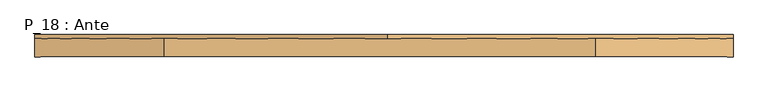
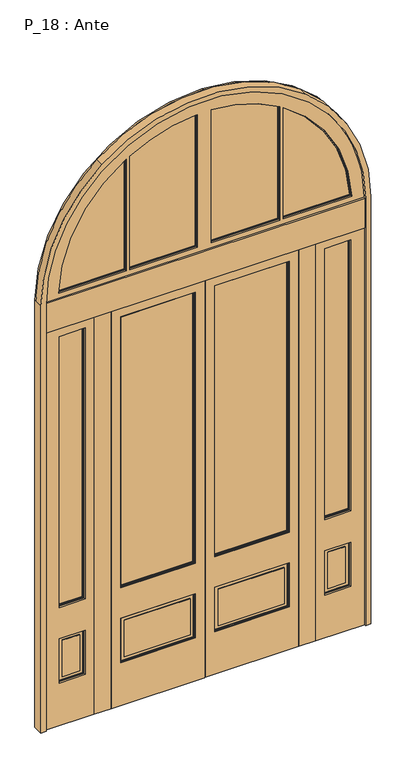
"""IFC4 building model written with IfcOpenShell, lengths in millimetres: door geometry, P_18 : Ante."""

from ifc_helpers import new_model, si_unit, point, frame, frame_2d, origin, origin_with_axes, place, context, project, spatial, polyline, circle_curve, trimmed, segment, composite_curve, outline, extrude, source, transform, mapped, element, save
from ifc_brep_helpers import plane_surface, cylinder_surface, revolved_surface, advanced_brep


def p_18_ante_e9bc71ce(model_context):
    return source(origin(), model_context, "Body", "SolidModel", [
        extrude(outline(polyline([(2420.0, 640.0), (0.0, 640.0), (0.0, 920.0), (2420.0, 920.0), (2420.0, 640.0)]), holes=[polyline([(530.0, 690.0), (530.0, 840.0), (260.0, 840.0), (260.0, 690.0), (530.0, 690.0)]), polyline([(2370.0, 690.0), (2370.0, 840.0), (720.0, 840.0), (720.0, 690.0), (2370.0, 690.0)])]), frame((0.0, -100.0, 0.0), z_axis=(0.0, 1.0, 0.0), x_axis=(0.0, 0.0, 1.0)), (0.0, 0.0, 1.0), 15.0),
        extrude(outline(polyline([(2420.0, -920.0), (0.0, -920.0), (0.0, -640.0), (2420.0, -640.0), (2420.0, -920.0)]), holes=[polyline([(530.0, -840.0), (530.0, -690.0), (260.0, -690.0), (260.0, -840.0), (530.0, -840.0)]), polyline([(2370.0, -840.0), (2370.0, -690.0), (720.0, -690.0), (720.0, -840.0), (2370.0, -840.0)])]), frame((0.0, -100.0, 0.0), z_axis=(0.0, 1.0, 0.0), x_axis=(0.0, 0.0, 1.0)), (0.0, 0.0, 1.0), 15.0),
        extrude(outline(polyline([(2420.0, 640.0), (0.0, 640.0), (0.0, 920.0), (2420.0, 920.0), (2420.0, 640.0)]), holes=[polyline([(530.0, 690.0), (530.0, 840.0), (260.0, 840.0), (260.0, 690.0), (530.0, 690.0)]), polyline([(2370.0, 690.0), (2370.0, 840.0), (720.0, 840.0), (720.0, 690.0), (2370.0, 690.0)])]), frame((0.0, -65.0, 0.0), z_axis=(0.0, 1.0, 0.0), x_axis=(0.0, 0.0, 1.0)), (0.0, 0.0, 1.0), 10.0),
        extrude(outline(polyline([(2420.0, -920.0), (0.0, -920.0), (0.0, -640.0), (2420.0, -640.0), (2420.0, -920.0)]), holes=[polyline([(530.0, -840.0), (530.0, -690.0), (260.0, -690.0), (260.0, -840.0), (530.0, -840.0)]), polyline([(2370.0, -840.0), (2370.0, -690.0), (720.0, -690.0), (720.0, -840.0), (2370.0, -840.0)])]), frame((0.0, -65.0, 0.0), z_axis=(0.0, 1.0, 0.0), x_axis=(0.0, 0.0, 1.0)), (0.0, 0.0, 1.0), 10.0),
        extrude(outline(polyline([(-480.0, -84.0), (-480.0, -76.0), (-61.0, -76.0), (-61.0, -84.0), (-480.0, -84.0)])), frame((0.0, 0.0, 720.0), z_axis=(0.0, 0.0, 1.0), x_axis=(1.0, 0.0, 0.0)), (0.0, 0.0, 1.0), 1640.0),
        extrude(outline(polyline([(61.0, -84.0), (61.0, -76.0), (480.0, -76.0), (480.0, -84.0), (61.0, -84.0)])), frame((0.0, 0.0, 720.0), z_axis=(0.0, 0.0, 1.0), x_axis=(1.0, 0.0, 0.0)), (0.0, 0.0, 1.0), 1640.0),
        extrude(outline(polyline([(530.0, -56.0), (530.0, -485.0), (260.0, -485.0), (260.0, -56.0), (530.0, -56.0)]), holes=[polyline([(525.0, -61.0), (265.0, -61.0), (265.0, -480.0), (525.0, -480.0), (525.0, -61.0)])]), frame((0.0, -70.0, 0.0), z_axis=(0.0, 1.0, 0.0), x_axis=(0.0, 0.0, 1.0)), (0.0, 0.0, 1.0), 5.0),
        extrude(outline(polyline([(-81.0, -65.0), (-81.0, -70.0), (-460.0, -70.0), (-460.0, -65.0), (-81.0, -65.0)])), frame((0.0, 0.0, 285.0), z_axis=(0.0, 0.0, 1.0), x_axis=(1.0, 0.0, 0.0)), (0.0, 0.0, 1.0), 220.0),
        extrude(outline(polyline([(2365.0, -56.0), (2365.0, -485.0), (715.0, -485.0), (715.0, -56.0), (2365.0, -56.0)]), holes=[polyline([(2360.0, -61.0), (720.0, -61.0), (720.0, -480.0), (2360.0, -480.0), (2360.0, -61.0)])]), frame((0.0, -70.0, 0.0), z_axis=(0.0, 1.0, 0.0), x_axis=(0.0, 0.0, 1.0)), (0.0, 0.0, 1.0), 5.0),
        extrude(outline(polyline([(2420.0, -1.0), (2420.0, -540.0), (0.0, -540.0), (0.0, -1.0), (2420.0, -1.0)]), holes=[polyline([(2365.0, -56.0), (715.0, -56.0), (715.0, -485.0), (2365.0, -485.0), (2365.0, -56.0)]), polyline([(530.0, -56.0), (260.0, -56.0), (260.0, -485.0), (530.0, -485.0), (530.0, -56.0)])]), frame((0.0, -70.0, 0.0), z_axis=(0.0, 1.0, 0.0), x_axis=(0.0, 0.0, 1.0)), (0.0, 0.0, 1.0), 10.0),
        extrude(outline(polyline([(2365.0, -56.0), (2365.0, -485.0), (715.0, -485.0), (715.0, -56.0), (2365.0, -56.0)]), holes=[polyline([(2360.0, -61.0), (720.0, -61.0), (720.0, -480.0), (2360.0, -480.0), (2360.0, -61.0)])]), frame((0.0, -95.0, 0.0), z_axis=(0.0, 1.0, 0.0), x_axis=(0.0, 0.0, 1.0)), (0.0, 0.0, 1.0), 5.0),
        extrude(outline(polyline([(530.0, -485.0), (260.0, -485.0), (260.0, -56.0), (530.0, -56.0), (530.0, -485.0)]), holes=[polyline([(525.0, -480.0), (525.0, -61.0), (265.0, -61.0), (265.0, -480.0), (525.0, -480.0)])]), frame((0.0, -95.0, 0.0), z_axis=(0.0, 1.0, 0.0), x_axis=(0.0, 0.0, 1.0)), (0.0, 0.0, 1.0), 5.0),
        extrude(outline(polyline([(-460.0, -95.0), (-460.0, -90.0), (-81.0, -90.0), (-81.0, -95.0), (-460.0, -95.0)])), frame((0.0, 0.0, 285.0), z_axis=(0.0, 0.0, 1.0), x_axis=(1.0, 0.0, 0.0)), (0.0, 0.0, 1.0), 220.0),
        extrude(outline(polyline([(2420.0, -1.0), (2420.0, -540.0), (0.0, -540.0), (0.0, -1.0), (2420.0, -1.0)]), holes=[polyline([(2365.0, -56.0), (715.0, -56.0), (715.0, -485.0), (2365.0, -485.0), (2365.0, -56.0)]), polyline([(530.0, -485.0), (530.0, -56.0), (260.0, -56.0), (260.0, -485.0), (530.0, -485.0)])]), frame((0.0, -100.0, 0.0), z_axis=(0.0, 1.0, 0.0), x_axis=(0.0, 0.0, 1.0)), (0.0, 0.0, 1.0), 10.0),
        extrude(outline(polyline([(2420.0, -1.0), (2420.0, -540.0), (0.0, -540.0), (0.0, -1.0), (2420.0, -1.0)]), holes=[polyline([(2360.0, -61.0), (720.0, -61.0), (720.0, -480.0), (2360.0, -480.0), (2360.0, -61.0)])]), frame((0.0, -90.0, 0.0), z_axis=(0.0, 1.0, 0.0), x_axis=(0.0, 0.0, 1.0)), (0.0, 0.0, 1.0), 20.0),
        extrude(outline(polyline([(2365.0, 56.0), (715.0, 56.0), (715.0, 485.0), (2365.0, 485.0), (2365.0, 56.0)]), holes=[polyline([(2360.0, 61.0), (2360.0, 480.0), (720.0, 480.0), (720.0, 61.0), (2360.0, 61.0)])]), frame((0.0, -70.0, 0.0), z_axis=(0.0, 1.0, 0.0), x_axis=(0.0, 0.0, 1.0)), (0.0, 0.0, 1.0), 5.0),
        extrude(outline(polyline([(530.0, 485.0), (530.0, 56.0), (260.0, 56.0), (260.0, 485.0), (530.0, 485.0)]), holes=[polyline([(525.0, 480.0), (265.0, 480.0), (265.0, 61.0), (525.0, 61.0), (525.0, 480.0)])]), frame((0.0, -70.0, 0.0), z_axis=(0.0, 1.0, 0.0), x_axis=(0.0, 0.0, 1.0)), (0.0, 0.0, 1.0), 5.0),
        extrude(outline(polyline([(460.0, -65.0), (460.0, -70.0), (81.0, -70.0), (81.0, -65.0), (460.0, -65.0)])), frame((0.0, 0.0, 285.0), z_axis=(0.0, 0.0, 1.0), x_axis=(1.0, 0.0, 0.0)), (0.0, 0.0, 1.0), 220.0),
        extrude(outline(polyline([(2420.0, 1.0), (0.0, 1.0), (0.0, 540.0), (2420.0, 540.0), (2420.0, 1.0)]), holes=[polyline([(530.0, 485.0), (260.0, 485.0), (260.0, 56.0), (530.0, 56.0), (530.0, 485.0)]), polyline([(2365.0, 56.0), (2365.0, 485.0), (715.0, 485.0), (715.0, 56.0), (2365.0, 56.0)])]), frame((0.0, -70.0, 0.0), z_axis=(0.0, 1.0, 0.0), x_axis=(0.0, 0.0, 1.0)), (0.0, 0.0, 1.0), 10.0),
        extrude(outline(polyline([(530.0, 56.0), (260.0, 56.0), (260.0, 485.0), (530.0, 485.0), (530.0, 56.0)]), holes=[polyline([(525.0, 61.0), (525.0, 480.0), (265.0, 480.0), (265.0, 61.0), (525.0, 61.0)])]), frame((0.0, -95.0, 0.0), z_axis=(0.0, 1.0, 0.0), x_axis=(0.0, 0.0, 1.0)), (0.0, 0.0, 1.0), 5.0),
        extrude(outline(polyline([(81.0, -95.0), (81.0, -90.0), (460.0, -90.0), (460.0, -95.0), (81.0, -95.0)])), frame((0.0, 0.0, 285.0), z_axis=(0.0, 0.0, 1.0), x_axis=(1.0, 0.0, 0.0)), (0.0, 0.0, 1.0), 220.0),
        extrude(outline(polyline([(2365.0, 56.0), (715.0, 56.0), (715.0, 485.0), (2365.0, 485.0), (2365.0, 56.0)]), holes=[polyline([(2360.0, 61.0), (2360.0, 480.0), (720.0, 480.0), (720.0, 61.0), (2360.0, 61.0)])]), frame((0.0, -95.0, 0.0), z_axis=(0.0, 1.0, 0.0), x_axis=(0.0, 0.0, 1.0)), (0.0, 0.0, 1.0), 5.0),
        extrude(outline(polyline([(2420.0, 540.0), (2420.0, 1.0), (0.0, 1.0), (0.0, 540.0), (2420.0, 540.0)]), holes=[polyline([(2365.0, 485.0), (715.0, 485.0), (715.0, 56.0), (2365.0, 56.0), (2365.0, 485.0)]), polyline([(530.0, 56.0), (530.0, 485.0), (260.0, 485.0), (260.0, 56.0), (530.0, 56.0)])]), frame((0.0, -100.0, 0.0), z_axis=(0.0, 1.0, 0.0), x_axis=(0.0, 0.0, 1.0)), (0.0, 0.0, 1.0), 10.0),
        extrude(outline(polyline([(2420.0, 1.0), (0.0, 1.0), (0.0, 540.0), (2420.0, 540.0), (2420.0, 1.0)]), holes=[polyline([(2360.0, 61.0), (2360.0, 480.0), (720.0, 480.0), (720.0, 61.0), (2360.0, 61.0)])]), frame((0.0, -90.0, 0.0), z_axis=(0.0, 1.0, 0.0), x_axis=(0.0, 0.0, 1.0)), (0.0, 0.0, 1.0), 20.0),
        extrude(outline(polyline([(640.0, -50.0), (640.0, -100.0), (540.0, -100.0), (540.0, -50.0), (640.0, -50.0)])), origin_with_axes(), (0.0, 0.0, 1.0), 2420.0),
        extrude(outline(polyline([(-540.0, -50.0), (-540.0, -100.0), (-640.0, -100.0), (-640.0, -50.0), (-540.0, -50.0)])), origin_with_axes(), (0.0, 0.0, 1.0), 2420.0),
        extrude(outline(polyline([(-695.0, -71.0), (-695.0, -79.0), (-865.0, -79.0), (-865.0, -71.0), (-695.0, -71.0)])), frame((0.0, 0.0, 725.0), z_axis=(0.0, 0.0, 1.0), x_axis=(1.0, 0.0, 0.0)), (0.0, 0.0, 1.0), 1640.0),
        extrude(outline(polyline([(865.0, -71.0), (865.0, -79.0), (695.0, -79.0), (695.0, -71.0), (865.0, -71.0)])), frame((0.0, 0.0, 725.0), z_axis=(0.0, 0.0, 1.0), x_axis=(1.0, 0.0, 0.0)), (0.0, 0.0, 1.0), 1640.0),
        extrude(outline(polyline([(530.0, -690.0), (530.0, -840.0), (260.0, -840.0), (260.0, -690.0), (530.0, -690.0)]), holes=[polyline([(525.0, -695.0), (265.0, -695.0), (265.0, -835.0), (525.0, -835.0), (525.0, -695.0)])]), frame((0.0, -75.0, 0.0), z_axis=(0.0, 1.0, 0.0), x_axis=(0.0, 0.0, 1.0)), (0.0, 0.0, 1.0), 5.0),
        extrude(outline(polyline([(530.0, 840.0), (530.0, 690.0), (260.0, 690.0), (260.0, 840.0), (530.0, 840.0)]), holes=[polyline([(525.0, 835.0), (265.0, 835.0), (265.0, 695.0), (525.0, 695.0), (525.0, 835.0)])]), frame((0.0, -75.0, 0.0), z_axis=(0.0, 1.0, 0.0), x_axis=(0.0, 0.0, 1.0)), (0.0, 0.0, 1.0), 5.0),
        extrude(outline(polyline([(815.0, -70.0), (815.0, -75.0), (715.0, -75.0), (715.0, -70.0), (815.0, -70.0)])), frame((0.0, 0.0, 285.0), z_axis=(0.0, 0.0, 1.0), x_axis=(1.0, 0.0, 0.0)), (0.0, 0.0, 1.0), 220.0),
        extrude(outline(polyline([(-715.0, -70.0), (-715.0, -75.0), (-815.0, -75.0), (-815.0, -70.0), (-715.0, -70.0)])), frame((0.0, 0.0, 285.0), z_axis=(0.0, 0.0, 1.0), x_axis=(1.0, 0.0, 0.0)), (0.0, 0.0, 1.0), 220.0),
        extrude(outline(polyline([(2370.0, -690.0), (2370.0, -840.0), (720.0, -840.0), (720.0, -690.0), (2370.0, -690.0)]), holes=[polyline([(2365.0, -695.0), (725.0, -695.0), (725.0, -835.0), (2365.0, -835.0), (2365.0, -695.0)])]), frame((0.0, -75.0, 0.0), z_axis=(0.0, 1.0, 0.0), x_axis=(0.0, 0.0, 1.0)), (0.0, 0.0, 1.0), 5.0),
        extrude(outline(polyline([(2370.0, 840.0), (2370.0, 690.0), (720.0, 690.0), (720.0, 840.0), (2370.0, 840.0)]), holes=[polyline([(2365.0, 835.0), (725.0, 835.0), (725.0, 695.0), (2365.0, 695.0), (2365.0, 835.0)])]), frame((0.0, -75.0, 0.0), z_axis=(0.0, 1.0, 0.0), x_axis=(0.0, 0.0, 1.0)), (0.0, 0.0, 1.0), 5.0),
        extrude(outline(polyline([(530.0, 690.0), (260.0, 690.0), (260.0, 840.0), (530.0, 840.0), (530.0, 690.0)]), holes=[polyline([(525.0, 695.0), (525.0, 835.0), (265.0, 835.0), (265.0, 695.0), (525.0, 695.0)])]), frame((0.0, -90.0, 0.0), z_axis=(0.0, 1.0, 0.0), x_axis=(0.0, 0.0, 1.0)), (0.0, 0.0, 1.0), 5.0),
        extrude(outline(polyline([(530.0, -840.0), (260.0, -840.0), (260.0, -690.0), (530.0, -690.0), (530.0, -840.0)]), holes=[polyline([(525.0, -835.0), (525.0, -695.0), (265.0, -695.0), (265.0, -835.0), (525.0, -835.0)])]), frame((0.0, -90.0, 0.0), z_axis=(0.0, 1.0, 0.0), x_axis=(0.0, 0.0, 1.0)), (0.0, 0.0, 1.0), 5.0),
        extrude(outline(polyline([(815.0, -85.0), (815.0, -90.0), (715.0, -90.0), (715.0, -85.0), (815.0, -85.0)])), frame((0.0, 0.0, 285.0), z_axis=(0.0, 0.0, 1.0), x_axis=(1.0, 0.0, 0.0)), (0.0, 0.0, 1.0), 220.0),
        extrude(outline(polyline([(-715.0, -85.0), (-715.0, -90.0), (-815.0, -90.0), (-815.0, -85.0), (-715.0, -85.0)])), frame((0.0, 0.0, 285.0), z_axis=(0.0, 0.0, 1.0), x_axis=(1.0, 0.0, 0.0)), (0.0, 0.0, 1.0), 220.0),
        extrude(outline(polyline([(2370.0, 690.0), (720.0, 690.0), (720.0, 840.0), (2370.0, 840.0), (2370.0, 690.0)]), holes=[polyline([(2365.0, 695.0), (2365.0, 835.0), (725.0, 835.0), (725.0, 695.0), (2365.0, 695.0)])]), frame((0.0, -90.0, 0.0), z_axis=(0.0, 1.0, 0.0), x_axis=(0.0, 0.0, 1.0)), (0.0, 0.0, 1.0), 5.0),
        extrude(outline(polyline([(2370.0, -840.0), (720.0, -840.0), (720.0, -690.0), (2370.0, -690.0), (2370.0, -840.0)]), holes=[polyline([(2365.0, -835.0), (2365.0, -695.0), (725.0, -695.0), (725.0, -835.0), (2365.0, -835.0)])]), frame((0.0, -90.0, 0.0), z_axis=(0.0, 1.0, 0.0), x_axis=(0.0, 0.0, 1.0)), (0.0, 0.0, 1.0), 5.0),
        extrude(outline(polyline([(2420.0, 640.0), (0.0, 640.0), (0.0, 920.0), (2420.0, 920.0), (2420.0, 640.0)]), holes=[polyline([(2365.0, 695.0), (2365.0, 840.0), (725.0, 840.0), (725.0, 695.0), (2365.0, 695.0)])]), frame((0.0, -85.0, 0.0), z_axis=(0.0, 1.0, 0.0), x_axis=(0.0, 0.0, 1.0)), (0.0, 0.0, 1.0), 20.0),
        extrude(outline(polyline([(2420.0, -920.0), (0.0, -920.0), (0.0, -640.0), (2420.0, -640.0), (2420.0, -920.0)]), holes=[polyline([(2365.0, -840.0), (2365.0, -695.0), (725.0, -695.0), (725.0, -840.0), (2365.0, -840.0)])]), frame((0.0, -85.0, 0.0), z_axis=(0.0, 1.0, 0.0), x_axis=(0.0, 0.0, 1.0)), (0.0, 0.0, 1.0), 20.0),
        advanced_brep(
        [(-950.0, -50.0, 0.0), (-950.0, -50.0, 2600.0), (10.0746694, -50.0, 3549.946578), (950.0, -50.0, 2600.0), (950.0, -50.0, 0.0), (920.0, -50.0, 0.0), (920.0, -50.0, 2420.0), (-920.0, -50.0, 2420.0), (-920.0, -50.0, 0.0), (920.0, -50.0, 2600.0), (-54.5964416, -50.0, 3518.3785867), (-920.0, -50.0, 2600.0), (-920.0, -110.0, 0.0), (-950.0, -110.0, 0.0), (-920.0, -105.0, 2420.0), (-920.0, -105.0, 2600.0), (-920.0, -110.0, 2600.0), (920.0, -110.0, 2600.0), (920.0, -105.0, 2600.0), (920.0, -105.0, 2420.0), (920.0, -110.0, 0.0), (950.0, -110.0, 0.0), (950.0, -60.0, 2600.0), (950.0, -105.0, 2600.0), (950.0, -110.0, 2600.0), (-950.0, -110.0, 2600.0), (-950.0, -105.0, 2600.0), (-950.0, -60.0, 2600.0), (575.7103184, -110.0, 3355.683551), (-599.4350824, -110.0, 3337.0058222), (-602.4969533, -110.0, 3295.2678774), (596.8275039, -110.0, 3300.1406506), (-54.5964416, -60.0, 3518.3785867), (-602.4969533, -60.0, 3295.2678774), (-920.0, -60.0, 2600.0), (920.0, -60.0, 2600.0), (596.8275039, -60.0, 3300.1406506), (10.0746694, -60.0, 3549.946578), (575.7103184, -60.0, 3355.683551), (-599.4350824, -60.0, 3337.0058222)],
        [
            (0, 1),
            (1, 2, circle_curve(frame((0.0, -50.0, 2600.0), z_axis=(0.0, 1.0, 0.0), x_axis=(1.0, 0.0, 0.0)), 950.0)),
            (2, 3, circle_curve(frame((0.0, -50.0, 2600.0), z_axis=(0.0, 1.0, 0.0), x_axis=(1.0, 0.0, 0.0)), 950.0)),
            (3, 4),
            (4, 5),
            (5, 6),
            (6, 7),
            (7, 8),
            (8, 0),
            (9, 10, circle_curve(frame((0.0, -50.0, 2600.0), z_axis=(0.0, -1.0, 0.0), x_axis=(1.0, 0.0, 0.0)), 920.0)),
            (10, 11, circle_curve(frame((0.0, -50.0, 2600.0), z_axis=(0.0, -1.0, 0.0), x_axis=(1.0, 0.0, 0.0)), 920.0)),
            (11, 9),
            (8, 12),
            (12, 13),
            (13, 0),
            (7, 14),
            (14, 15),
            (15, 16),
            (16, 12),
            (17, 18),
            (18, 19),
            (19, 6),
            (5, 20),
            (20, 17),
            (4, 21),
            (21, 20),
            (22, 23),
            (23, 24),
            (24, 21),
            (3, 22),
            (13, 25),
            (25, 26),
            (26, 27),
            (27, 1),
            (24, 28, circle_curve(frame((0.0, -110.0, 2600.0), z_axis=(0.0, -1.0, 0.0), x_axis=(1.0, 0.0, 0.0)), 950.0)),
            (28, 29, circle_curve(frame((0.0, -110.0, 2600.0), z_axis=(0.0, -1.0, 0.0), x_axis=(1.0, 0.0, 0.0)), 950.0)),
            (29, 25, circle_curve(frame((0.0, -110.0, 2600.0), z_axis=(0.0, -1.0, 0.0), x_axis=(1.0, 0.0, 0.0)), 950.0)),
            (16, 30, circle_curve(frame((0.0, -110.0, 2600.0), z_axis=(0.0, 1.0, 0.0), x_axis=(1.0, 0.0, 0.0)), 920.0)),
            (30, 31, circle_curve(frame((0.0, -110.0, 2600.0), z_axis=(0.0, 1.0, 0.0), x_axis=(1.0, 0.0, 0.0)), 920.0)),
            (31, 17, circle_curve(frame((0.0, -110.0, 2600.0), z_axis=(0.0, 1.0, 0.0), x_axis=(1.0, 0.0, 0.0)), 920.0)),
            (32, 33, circle_curve(frame((0.0, -60.0, 2600.0), z_axis=(0.0, -1.0, 0.0), x_axis=(1.0, 0.0, 0.0)), 920.0)),
            (33, 34, circle_curve(frame((0.0, -60.0, 2600.0), z_axis=(0.0, -1.0, 0.0), x_axis=(1.0, 0.0, 0.0)), 920.0)),
            (34, 11),
            (10, 32),
            (9, 35),
            (35, 36, circle_curve(frame((0.0, -60.0, 2600.0), z_axis=(0.0, -1.0, 0.0), x_axis=(1.0, 0.0, 0.0)), 920.0)),
            (36, 32, circle_curve(frame((0.0, -60.0, 2600.0), z_axis=(0.0, -1.0, 0.0), x_axis=(1.0, 0.0, 0.0)), 920.0)),
            (2, 37),
            (37, 38, circle_curve(frame((0.0, -60.0, 2600.0), z_axis=(0.0, 1.0, 0.0), x_axis=(1.0, 0.0, 0.0)), 950.0)),
            (38, 22, circle_curve(frame((0.0, -60.0, 2600.0), z_axis=(0.0, 1.0, 0.0), x_axis=(1.0, 0.0, 0.0)), 950.0)),
            (27, 39, circle_curve(frame((0.0, -60.0, 2600.0), z_axis=(0.0, 1.0, 0.0), x_axis=(1.0, 0.0, 0.0)), 950.0)),
            (39, 37, circle_curve(frame((0.0, -60.0, 2600.0), z_axis=(0.0, 1.0, 0.0), x_axis=(1.0, 0.0, 0.0)), 950.0)),
            (15, 34),
            (33, 30),
            (14, 19),
            (18, 15),
            (29, 39),
            (38, 28),
            (31, 36),
            (35, 18),
        ],
        [
            plane_surface(frame((-950.0, -50.0, 0.0), z_axis=(0.0, 1.0, 0.0), x_axis=(1.0, 0.0, 0.0))),
            plane_surface(frame((-950.0, -50.0, 0.0), z_axis=(0.0, 0.0, -1.0), x_axis=(0.0, -1.0, 0.0))),
            plane_surface(frame((-920.0, -50.0, 0.0), z_axis=(1.0, 0.0, 0.0), x_axis=(0.0, -1.0, 0.0))),
            plane_surface(frame((920.0, -50.0, 2600.0), z_axis=(-1.0, 0.0, 0.0), x_axis=(0.0, -1.0, 0.0))),
            plane_surface(frame((920.0, -50.0, 0.0), z_axis=(0.0, 0.0, -1.0), x_axis=(0.0, -1.0, 0.0))),
            plane_surface(frame((950.0, -50.0, 0.0), z_axis=(1.0, 0.0, 0.0), x_axis=(0.0, -1.0, 0.0))),
            plane_surface(frame((-950.0, -50.0, 2600.0), z_axis=(-1.0, 0.0, 0.0), x_axis=(0.0, -1.0, 0.0))),
            plane_surface(frame((950.0, -110.0, 2600.0), z_axis=(0.0, -1.0, 0.0), x_axis=(0.0, 0.0, -1.0))),
            revolved_surface(polyline([(920.0, -60.0, 2600.0), (920.0, -50.0, 2600.0)]), (0.0, -60.0, 2600.0), (0.0, -1.0, 0.0)),
            cylinder_surface(frame((0.0, -60.0, 2600.0), z_axis=(0.0, 1.0, 0.0), x_axis=(1.0, 0.0, 0.0)), 950.0),
            revolved_surface(polyline([(920.0, -110.0, 2600.0), (920.0, -60.0, 2600.0)]), (0.0, -110.0, 2600.0), (0.0, -1.0, 0.0)),
            plane_surface(frame((-950.0, -105.0, 2600.0), z_axis=(0.0, -1.0, 0.0), x_axis=(1.0, 0.0, 0.0))),
            plane_surface(frame((-950.0, -105.0, 2420.0), z_axis=(0.0, 0.0, -1.0), x_axis=(1.0, 0.0, 0.0))),
            cylinder_surface(frame((0.0, -110.0, 2600.0), z_axis=(0.0, 1.0, 0.0), x_axis=(1.0, 0.0, 0.0)), 950.0),
            plane_surface(frame((-950.0, -50.0, 2600.0), z_axis=(0.0, 0.0, 1.0), x_axis=(1.0, 0.0, 0.0))),
        ],
        [
            (0, [[1, 2, 3, 4, 5, 6, 7, 8, 9], [10, 11, 12]]),
            (1, [[13, 14, 15, -9]]),
            (2, [[-13, -8, 16, 17, 18, 19]]),
            (3, [[20, 21, 22, -6, 23, 24]]),
            (4, [[25, 26, -23, -5]]),
            (5, [[27, 28, 29, -25, -4, 30]]),
            (6, [[-15, 31, 32, 33, 34, -1]]),
            (7, [[35, 36, 37, -31, -14, -19, 38, 39, 40, -24, -26, -29]]),
            (8, [[41, 42, 43, -11, 44]]),
            (8, [[45, 46, 47, -44, -10]]),
            (9, [[48, 49, 50, -30, -3]]),
            (9, [[51, 52, -48, -2, -34]]),
            (10, [[-18, 53, -42, 54, -38]]),
            (11, [[-17, 55, -21, 56]]),
            (12, [[-22, -55, -16, -7]]),
            (13, [[57, -51, -33, -32, -37]]),
            (13, [[-28, -27, -50, 58, -35]]),
            (10, [[59, -46, 60, -20, -40]]),
            (10, [[-54, -41, -47, -59, -39]]),
            (13, [[-58, -49, -52, -57, -36]]),
            (14, [[-43, -53, -56, -60, -45, -12]]),
        ],
    ),
        extrude(outline(composite_curve([segment(trimmed(circle_curve(frame_2d((2590.0176241, 0.5934396)), 845.0), [point((2635.0, 844.3953037))], [point((3299.3343326, 459.8262858))], False, "CARTESIAN"), True, "CONTINUOUS"), segment(polyline([(3299.3343326, 459.8262858), (2635.0, 459.8262858), (2635.0, 844.3953037)]), True, "CONTINUOUS")], self_intersect=False)), frame((0.0, -80.0, 0.0), z_axis=(0.0, 1.0, 0.0), x_axis=(0.0, 0.0, 1.0)), (0.0, 0.0, 1.0), 10.0),
        extrude(outline(composite_curve([segment(polyline([(2635.0, 429.8262858), (3317.8803609, 429.8262858)]), True, "CONTINUOUS"), segment(trimmed(circle_curve(frame_2d((2590.0176241, 0.5934396)), 845.0), [point((3317.8803609, 429.8262858))], [point((3433.8499874, 45.0))], False, "CARTESIAN"), True, "CONTINUOUS"), segment(polyline([(3433.8499874, 45.0), (2635.0, 45.0), (2635.0, 429.8262858)]), True, "CONTINUOUS")], self_intersect=False)), frame((0.0, -80.0, 0.0), z_axis=(0.0, 1.0, 0.0), x_axis=(0.0, 0.0, 1.0)), (0.0, 0.0, 1.0), 10.0),
        extrude(outline(composite_curve([segment(polyline([(2635.0, -45.0), (3433.7865434, -45.0)]), True, "CONTINUOUS"), segment(trimmed(circle_curve(frame_2d((2600.0, 0.0)), 835.0), [point((3433.7865434, -45.0))], [point((3318.9072815, -424.7320574))], False, "CARTESIAN"), True, "CONTINUOUS"), segment(polyline([(3318.9072815, -424.7320574), (2635.0, -424.7320574), (2635.0, -45.0)]), True, "CONTINUOUS")], self_intersect=False)), frame((0.0, -80.0, 0.0), z_axis=(0.0, 1.0, 0.0), x_axis=(0.0, 0.0, 1.0)), (0.0, 0.0, 1.0), 10.0),
        extrude(outline(composite_curve([segment(polyline([(2635.0, -454.7320574), (3300.3168968, -454.7320574)]), True, "CONTINUOUS"), segment(trimmed(circle_curve(frame_2d((2600.0, 0.0)), 835.0), [point((3300.3168968, -454.7320574))], [point((2635.0, -834.2661446))], False, "CARTESIAN"), True, "CONTINUOUS"), segment(polyline([(2635.0, -834.2661446), (2635.0, -454.7320574)]), True, "CONTINUOUS")], self_intersect=False)), frame((0.0, -80.0, 0.0), z_axis=(0.0, 1.0, 0.0), x_axis=(0.0, 0.0, 1.0)), (0.0, 0.0, 1.0), 10.0),
        extrude(outline(composite_curve([segment(trimmed(circle_curve(frame_2d((2590.0176241, 0.5934396)), 850.0), [point((2630.0, 849.6525716))], [point((3308.4690987, 454.8262858))], False, "CARTESIAN"), True, "CONTINUOUS"), segment(polyline([(3308.4690987, 454.8262858), (2630.0, 454.8262858), (2630.0, 849.6525716)]), True, "CONTINUOUS")], self_intersect=False), holes=[composite_curve([segment(trimmed(circle_curve(frame_2d((2590.0176241, 0.5934396)), 845.0), [point((3299.3343326, 459.8262858))], [point((2635.0, 844.3953037))], True, "CARTESIAN"), True, "CONTINUOUS"), segment(polyline([(2635.0, 844.3953037), (2635.0, 459.8262858), (3299.3343326, 459.8262858)]), True, "CONTINUOUS")], self_intersect=False)]), frame((0.0, -85.0, 0.0), z_axis=(0.0, 1.0, 0.0), x_axis=(0.0, 0.0, 1.0)), (0.0, 0.0, 1.0), 20.0),
        extrude(outline(composite_curve([segment(polyline([(2630.0, 434.8262858), (3320.7308614, 434.8262858)]), True, "CONTINUOUS"), segment(trimmed(circle_curve(frame_2d((2590.0176241, 0.5934396)), 850.0), [point((3320.7308614, 434.8262858))], [point((3439.1036756, 40.0))], False, "CARTESIAN"), True, "CONTINUOUS"), segment(polyline([(3439.1036756, 40.0), (2630.0, 40.0), (2630.0, 434.8262858)]), True, "CONTINUOUS")], self_intersect=False), holes=[composite_curve([segment(trimmed(circle_curve(frame_2d((2590.0176241, 0.5934396)), 845.0), [point((3433.8499874, 45.0))], [point((3317.8803609, 429.8262858))], True, "CARTESIAN"), True, "CONTINUOUS"), segment(polyline([(3317.8803609, 429.8262858), (2635.0, 429.8262858), (2635.0, 45.0), (3433.8499874, 45.0)]), True, "CONTINUOUS")], self_intersect=False)]), frame((0.0, -85.0, 0.0), z_axis=(0.0, 1.0, 0.0), x_axis=(0.0, 0.0, 1.0)), (0.0, 0.0, 1.0), 20.0),
        extrude(outline(composite_curve([segment(trimmed(circle_curve(frame_2d((2600.0, 0.0)), 840.0), [point((3439.0470785, -40.0))], [point((3321.7550546, -429.7320574))], False, "CARTESIAN"), True, "CONTINUOUS"), segment(polyline([(3321.7550546, -429.7320574), (2630.0, -429.7320574), (2630.0, -40.0), (3439.0470785, -40.0)]), True, "CONTINUOUS")], self_intersect=False), holes=[composite_curve([segment(polyline([(2635.0, -45.0), (2635.0, -424.7320574), (3318.9072815, -424.7320574)]), True, "CONTINUOUS"), segment(trimmed(circle_curve(frame_2d((2600.0, 0.0)), 835.0), [point((3318.9072815, -424.7320574))], [point((3433.7865434, -45.0))], True, "CARTESIAN"), True, "CONTINUOUS"), segment(polyline([(3433.7865434, -45.0), (2635.0, -45.0)]), True, "CONTINUOUS")], self_intersect=False)]), frame((0.0, -85.0, 0.0), z_axis=(0.0, 1.0, 0.0), x_axis=(0.0, 0.0, 1.0)), (0.0, 0.0, 1.0), 20.0),
        extrude(outline(composite_curve([segment(polyline([(2630.0, -449.7320574), (3309.4653456, -449.7320574)]), True, "CONTINUOUS"), segment(trimmed(circle_curve(frame_2d((2600.0, 0.0)), 840.0), [point((3309.4653456, -449.7320574))], [point((2630.0, -839.4641148))], False, "CARTESIAN"), True, "CONTINUOUS"), segment(polyline([(2630.0, -839.4641148), (2630.0, -449.7320574)]), True, "CONTINUOUS")], self_intersect=False), holes=[composite_curve([segment(polyline([(2635.0, -454.7320574), (2635.0, -834.2661446)]), True, "CONTINUOUS"), segment(trimmed(circle_curve(frame_2d((2600.0, 0.0)), 835.0), [point((2635.0, -834.2661446))], [point((3300.3168968, -454.7320574))], True, "CARTESIAN"), True, "CONTINUOUS"), segment(polyline([(3300.3168968, -454.7320574), (2635.0, -454.7320574)]), True, "CONTINUOUS")], self_intersect=False)]), frame((0.0, -85.0, 0.0), z_axis=(0.0, 1.0, 0.0), x_axis=(0.0, 0.0, 1.0)), (0.0, 0.0, 1.0), 20.0),
        extrude(outline(composite_curve([segment(trimmed(circle_curve(frame_2d((2600.0, 0.0)), 920.0), [point((3518.3785867, -54.5964416))], [point((2600.0, -920.0))], False, "CARTESIAN"), True, "CONTINUOUS"), segment(polyline([(2600.0, -920.0), (2600.0, 920.0)]), True, "CONTINUOUS"), segment(trimmed(circle_curve(frame_2d((2600.0, 0.0)), 920.0), [point((2600.0, 920.0))], [point((3518.3785867, -54.5964416))], False, "CARTESIAN"), True, "CONTINUOUS")], self_intersect=False), holes=[composite_curve([segment(polyline([(2630.0, -449.7320574), (2630.0, -839.4641148)]), True, "CONTINUOUS"), segment(trimmed(circle_curve(frame_2d((2600.0, 0.0)), 840.0), [point((2630.0, -839.4641148))], [point((3309.4653456, -449.7320574))], True, "CARTESIAN"), True, "CONTINUOUS"), segment(polyline([(3309.4653456, -449.7320574), (2630.0, -449.7320574)]), True, "CONTINUOUS")], self_intersect=False), composite_curve([segment(trimmed(circle_curve(frame_2d((2600.0, 0.0)), 840.0), [point((3321.7550546, -429.7320574))], [point((3438.5195792, -49.848925))], True, "CARTESIAN"), True, "CONTINUOUS"), segment(trimmed(circle_curve(frame_2d((2590.0176241, 0.5934396)), 850.0), [point((3438.5195792, -49.848925))], [point((3439.0477605, -40.0))], True, "CARTESIAN"), True, "CONTINUOUS"), segment(polyline([(3439.0477605, -40.0), (2630.0, -40.0), (2630.0, -429.7320574), (3321.7550546, -429.7320574)]), True, "CONTINUOUS")], self_intersect=False), composite_curve([segment(trimmed(circle_curve(frame_2d((2590.0176241, 0.5934396)), 850.0), [point((3308.4690987, 454.8262858))], [point((2630.0, 849.6525716))], True, "CARTESIAN"), True, "CONTINUOUS"), segment(polyline([(2630.0, 849.6525716), (2630.0, 454.8262858), (3308.4690987, 454.8262858)]), True, "CONTINUOUS")], self_intersect=False), composite_curve([segment(polyline([(2630.0, 40.0), (3439.1036756, 40.0)]), True, "CONTINUOUS"), segment(trimmed(circle_curve(frame_2d((2590.0176241, 0.5934396)), 850.0), [point((3439.1036756, 40.0))], [point((3320.7308614, 434.8262858))], True, "CARTESIAN"), True, "CONTINUOUS"), segment(polyline([(3320.7308614, 434.8262858), (2630.0, 434.8262858), (2630.0, 40.0)]), True, "CONTINUOUS")], self_intersect=False)]), frame((0.0, -95.0, 0.0), z_axis=(0.0, 1.0, 0.0), x_axis=(0.0, 0.0, 1.0)), (0.0, 0.0, 1.0), 30.0),
    ])


if __name__ == "__main__":
    model = new_model("IFC4")
    model_context = context("Model", 3, world=origin())
    ifc_project = project(units=[si_unit("LENGTHUNIT", "METRE", prefix="MILLI")], contexts=[model_context])
    site = spatial("IfcSite", under=ifc_project)
    building = spatial("IfcBuilding", under=site)
    placement = place(None, origin())
    p_18_ante_shape = p_18_ante_e9bc71ce(model_context)
    element("IfcDoor", 1, ObjectType="P_18 : Ante", at=placement, inside=building, context=model_context, shape_type="MappedRepresentation", body=[
        mapped(p_18_ante_shape, transform((0.0, 0.0, 0.0), x_axis=(1.0, 0.0, 0.0), y_axis=(0.0, 1.0, 0.0), z_axis=(0.0, 0.0, 1.0))),
    ])
    save(model, "model.ifc")
